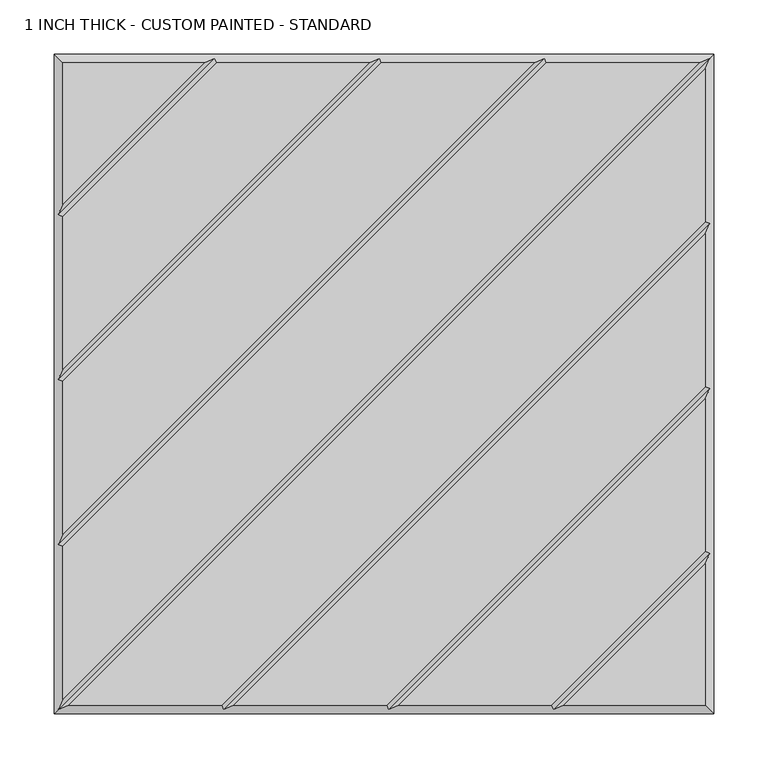
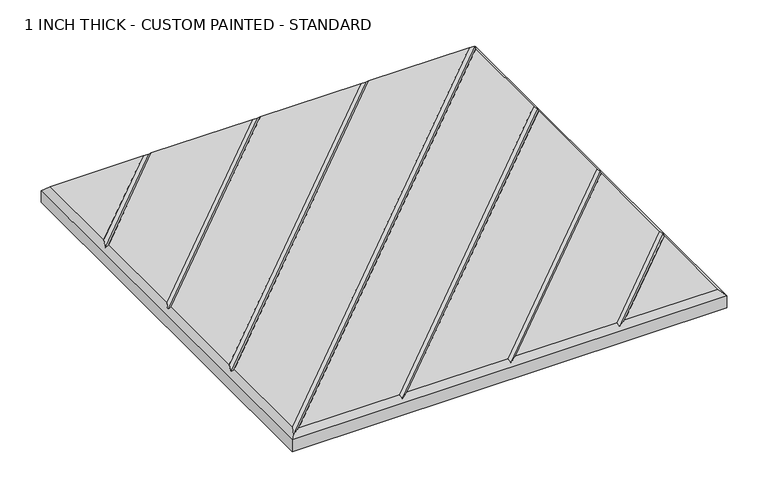
"""IFC4 building model written with IfcOpenShell, lengths in millimetres: proxy geometry, 1 INCH THICK - CUSTOM PAINTED - STANDARD."""

from ifc_helpers import new_model, si_unit, origin, place, context, project, spatial, faceted_brep, source, transform, mapped, element, save


def proxy_1_inch_thick_custom_painted_standard_c9e8c0a6(model_context):
    return source(origin(), model_context, "Body", "Brep", [
        faceted_brep([(-296.799, -291.1414894, 25.4), (291.1414894, 296.799, 25.4), (150.0566376, 296.799, 25.4), (-296.799, -150.0566376, 25.4), (296.799, 291.1413878, 25.4), (-291.1413878, -296.799, 25.4), (-150.056536, -296.799, 25.4), (296.799, 150.056536, 25.4), (296.799, 138.7414132, 25.4), (-138.7414132, -296.799, 25.4), (2.343464, -296.799, 25.4), (296.799, -2.343464, 25.4), (296.799, -13.6585868, 25.4), (13.6585868, -296.799, 25.4), (154.743464, -296.799, 25.4), (296.799, -154.743464, 25.4), (-296.799, -138.7415148, 25.4), (138.7415148, 296.799, 25.4), (-2.3433624, 296.799, 25.4), (-296.799, 2.3433624, 25.4), (-296.799, 13.6584852, 25.4), (-13.6584852, 296.799, 25.4), (-154.7433624, 296.799, 25.4), (-296.799, 154.7433624, 25.4), (166.0585868, -296.799, 25.4), (296.799, -296.799, 25.4), (296.799, -166.0585868, 25.4), (-166.0584852, 296.799, 25.4), (-296.799, 296.799, 25.4), (-296.799, 166.0584852, 25.4), (-304.8, 304.8, 0.0), (304.8, 304.8, 0.0), (304.8, -304.8, 0.0), (-304.8, -304.8, 0.0), (-304.8, -304.8, 17.399), (-304.8, 304.8, 17.399), (304.8, -304.8, 17.399), (304.8, 304.8, 17.399), (-156.4004238, 300.7995, 21.3995), (-4.0004238, 300.7995, 21.3995), (148.3995762, 300.7995, 21.3995), (300.7994641, 300.7994641, 21.3995359), (-300.7994641, -300.7994641, 21.3995359), (-300.7995, -148.3995762, 21.3995), (-300.7995, 4.0004238, 21.3995), (-300.7995, 156.4004238, 21.3995), (156.4005254, -300.7995, 21.3995), (4.0005254, -300.7995, 21.3995), (-148.3994746, -300.7995, 21.3995), (300.7995, 148.3994746, 21.3995), (300.7995, -4.0005254, 21.3995), (300.7995, -156.4005254, 21.3995)], [[[0, 1, 2, 3]], [[4, 5, 6, 7]], [[8, 9, 10, 11]], [[12, 13, 14, 15]], [[16, 17, 18, 19]], [[20, 21, 22, 23]], [[24, 25, 26]], [[27, 28, 29]], [[30, 31, 32, 33]], [[30, 33, 34, 35]], [[33, 32, 36, 34]], [[32, 31, 37, 36]], [[31, 30, 35, 37]], [[35, 28, 27, 38, 22, 21, 39, 18, 17, 40, 2, 1, 41, 37]], [[28, 35, 34, 42, 0, 3, 43, 16, 19, 44, 20, 23, 45, 29]], [[36, 25, 24, 46, 14, 13, 47, 10, 9, 48, 6, 5, 42, 34]], [[25, 36, 37, 41, 4, 7, 49, 8, 11, 50, 12, 15, 51, 26]], [[42, 41, 1, 0]], [[41, 42, 5, 4]], [[48, 49, 7, 6]], [[49, 48, 9, 8]], [[47, 50, 11, 10]], [[50, 47, 13, 12]], [[46, 51, 15, 14]], [[51, 46, 24, 26]], [[40, 43, 3, 2]], [[43, 40, 17, 16]], [[39, 44, 19, 18]], [[44, 39, 21, 20]], [[38, 45, 23, 22]], [[45, 38, 27, 29]]]),
    ])


if __name__ == "__main__":
    model = new_model("IFC4")
    model_context = context("Model", 3, world=origin())
    ifc_project = project(units=[si_unit("LENGTHUNIT", "METRE", prefix="MILLI")], contexts=[model_context])
    site = spatial("IfcSite", under=ifc_project)
    building = spatial("IfcBuilding", under=site)
    placement = place(None, origin())
    proxy_1_inch_thick_custom_painted_standard_shape = proxy_1_inch_thick_custom_painted_standard_c9e8c0a6(model_context)
    element("IfcBuildingElementProxy", 1, Name="1 INCH THICK - CUSTOM PAINTED - STANDARD", ObjectType="1 INCH THICK - CUSTOM PAINTED - STANDARD", at=placement, inside=building, context=model_context, shape_type="MappedRepresentation", body=[
        mapped(proxy_1_inch_thick_custom_painted_standard_shape, transform((0.0, 0.0, 0.0), x_axis=(1.0, 0.0, 0.0), y_axis=(0.0, 1.0, 0.0), z_axis=(0.0, 0.0, 1.0))),
    ])
    save(model, "model.ifc")
